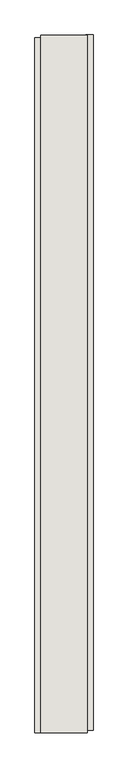
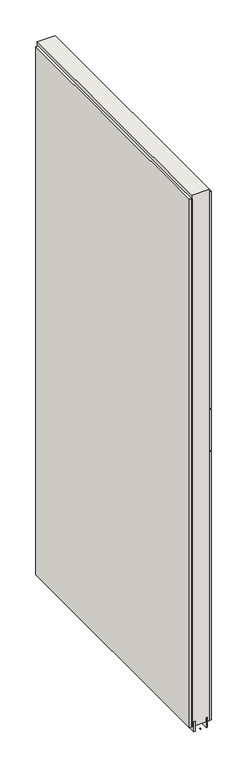
"""IFC4 building model written with IfcOpenShell, lengths in millimetres: wall geometry."""

from ifc_helpers import new_model, si_unit, frame, origin, place, context, project, spatial, polyline, outline, extrude, source, transform, mapped, element, save


def wall_55b6e132(model_context):
    return source(origin(), model_context, "Body", "SweptSolid", [
        extrude(outline(polyline([(67489.742211, -55778.2003306), (67489.742211, -55775.6603306), (67492.282211, -55775.6603306), (67492.282211, -55778.2003306), (67489.742211, -55778.2003306)])), frame((0.0, 0.0, 4419.6), z_axis=(0.0, 0.0, 1.0), x_axis=(1.0, 0.0, 0.0)), (0.0, 0.0, 1.0), 2.54),
        extrude(outline(polyline([(67541.812211, -54558.533504), (67541.812211, -55773.733512), (67529.112211, -55773.733512), (67529.112211, -54558.533504), (67541.812211, -54558.533504)])), frame((0.0, 0.0, 5945.6000722), z_axis=(0.0, 0.0, 1.0), x_axis=(1.0, 0.0, 0.0)), (0.0, 0.0, 1.0), 1044.449905),
        extrude(outline(polyline([(67541.812211, -54558.533504), (67541.812211, -55773.733512), (67529.112211, -55773.733512), (67529.112211, -54558.533504), (67541.812211, -54558.533504)])), frame((0.0, 0.0, 5742.3999706), z_axis=(0.0, 0.0, 1.0), x_axis=(1.0, 0.0, 0.0)), (0.0, 0.0, 1.0), 199.2000512),
        extrude(outline(polyline([(67541.812211, -54558.533504), (67541.812211, -55773.733512), (67529.112211, -55773.733512), (67529.112211, -54558.533504), (67541.812211, -54558.533504)])), frame((0.0, 0.0, 4445.0), z_axis=(0.0, 0.0, 1.0), x_axis=(1.0, 0.0, 0.0)), (0.0, 0.0, 1.0), 1293.400004),
        extrude(outline(polyline([(67440.212211, -55778.669621), (67440.212211, -54563.469613), (67452.912211, -54563.469613), (67452.912211, -55778.669621), (67440.212211, -55778.669621)])), frame((0.0, 0.0, 4445.0), z_axis=(0.0, 0.0, 1.0), x_axis=(1.0, 0.0, 0.0)), (0.0, 0.0, 1.0), 2545.0498756),
        extrude(outline(polyline([(67516.0959556, -55778.1953522), (67516.0959556, -54558.9953522), (67521.174711, -54558.9953522), (67521.174711, -55778.1953522), (67516.0959556, -55778.1953522)])), frame((0.0, 0.0, 4418.6602), z_axis=(0.0, 0.0, 1.0), x_axis=(1.0, 0.0, 0.0)), (0.0, 0.0, 1.0), 47.625),
        extrude(outline(polyline([(67516.0959556, -55778.1953522), (67516.0959556, -54558.9953522), (67521.174711, -54558.9953522), (67521.174711, -55778.1953522), (67516.0959556, -55778.1953522)])), frame((0.0, 0.0, 4418.6602), z_axis=(0.0, 0.0, 1.0), x_axis=(1.0, 0.0, 0.0)), (0.0, 0.0, 1.0), 47.625),
        extrude(outline(polyline([(67465.9284664, -54558.9953522), (67465.9284664, -55778.1953522), (67460.849711, -55778.1953522), (67460.849711, -54558.9953522), (67465.9284664, -54558.9953522)])), frame((0.0, 0.0, 4418.6602), z_axis=(0.0, 0.0, 1.0), x_axis=(1.0, 0.0, 0.0)), (0.0, 0.0, 1.0), 47.625),
        extrude(outline(polyline([(67465.9284664, -54558.9953522), (67465.9284664, -55778.1953522), (67460.849711, -55778.1953522), (67460.849711, -54558.9953522), (67465.9284664, -54558.9953522)])), frame((0.0, 0.0, 4418.6602), z_axis=(0.0, 0.0, 1.0), x_axis=(1.0, 0.0, 0.0)), (0.0, 0.0, 1.0), 47.625),
        extrude(outline(polyline([(67531.6670954, -55778.1953522), (67450.3573266, -55778.1953522), (67450.3573266, -54558.9953522), (67531.6670954, -54558.9953522), (67531.6670954, -55778.1953522)])), frame((0.0, 0.0, 4445.0), z_axis=(0.0, 0.0, 1.0), x_axis=(1.0, 0.0, 0.0)), (0.0, 0.0, 1.0), 2562.4536762),
    ])


if __name__ == "__main__":
    model = new_model("IFC4")
    model_context = context("Model", 3, world=origin())
    ifc_project = project(units=[si_unit("LENGTHUNIT", "METRE", prefix="MILLI")], contexts=[model_context])
    site = spatial("IfcSite", under=ifc_project)
    building = spatial("IfcBuilding", under=site)
    placement = place(None, origin())
    wall_shape = wall_55b6e132(model_context)
    element("IfcWall", 1, at=placement, inside=building, context=model_context, shape_type="MappedRepresentation", body=[
        mapped(wall_shape, transform((0.0, 0.0, 0.0), x_axis=(1.0, 0.0, 0.0), y_axis=(0.0, 1.0, 0.0), z_axis=(0.0, 0.0, 1.0))),
    ])
    save(model, "model.ifc")
